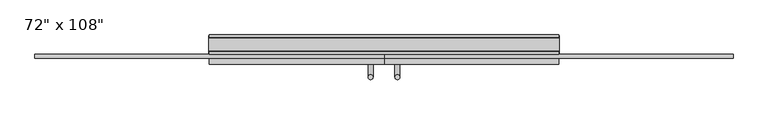
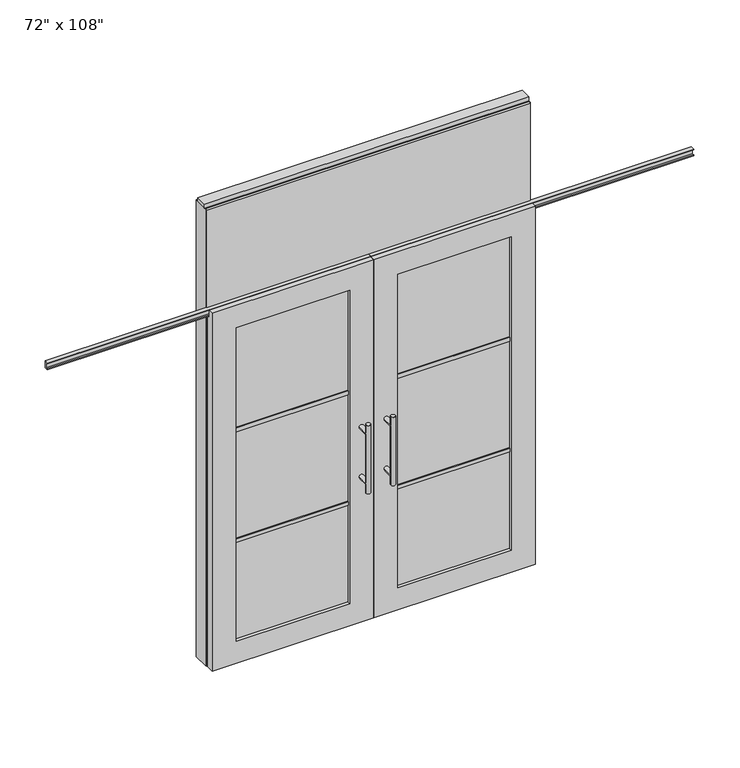
"""IFC4 building model written with IfcOpenShell, lengths in millimetres: furniture geometry."""

from ifc_helpers import new_model, si_unit, frame, origin, origin_with_axes, place, context, project, spatial, polyline, circle_curve, ellipse_curve, outline, extrude, faceted_brep, source, transform, mapped, element, save
from ifc_brep_helpers import plane_surface, cylinder_surface, advanced_brep


def furniture_bcf24d41(model_context):
    return source(origin(), model_context, "Body", "SolidModel", [
        extrude(outline(polyline([(850.4264771, 46.2822784), (850.4264771, 33.5822784), (-970.4995229, 33.5822784), (-970.4995229, 46.2822784), (850.4264771, 46.2822784)])), frame((0.0, 0.0, 2133.6), z_axis=(0.0, 0.0, 1.0), x_axis=(1.0, 0.0, 0.0)), (0.0, 0.0, 1.0), 584.2),
        extrude(outline(polyline([(850.4264771, -55.3177216), (-970.4995229, -55.3177216), (-970.4995229, -42.6177216), (850.4264771, -42.6177216), (850.4264771, -55.3177216)])), frame((0.0, 0.0, 2133.6), z_axis=(0.0, 0.0, 1.0), x_axis=(1.0, 0.0, 0.0)), (0.0, 0.0, 1.0), 584.2),
        advanced_brep(
        [(-117.3135229, 5.8962784, 1219.2), (-142.7135229, 5.8962784, 1219.2), (-117.3135229, 5.8962784, 812.8), (-142.7135229, 5.8962784, 812.8), (-117.3135229, 5.8962784, 1164.336), (-117.3135229, 5.8962784, 867.664), (-142.7135229, 5.8962784, 867.664), (-142.7135229, 5.8962784, 1164.336), (-117.3135229, -61.6677216, 1164.336), (-142.7135229, -61.6677216, 1164.336), (-117.3135229, -61.6677216, 867.664), (-142.7135229, -61.6677216, 867.664)],
        [
            (0, 1, circle_curve(frame((-130.0135229, 5.8962784, 1219.2), z_axis=(0.0, 0.0, 1.0), x_axis=(-1.0, 0.0, 0.0)), 12.7)),
            (1, 0, circle_curve(frame((-130.0135229, 5.8962784, 1219.2), z_axis=(0.0, 0.0, 1.0), x_axis=(-1.0, 0.0, 0.0)), 12.7)),
            (2, 3, circle_curve(frame((-130.0135229, 5.8962784, 812.8), z_axis=(0.0, 0.0, -1.0), x_axis=(-1.0, 0.0, 0.0)), 12.7)),
            (3, 2, circle_curve(frame((-130.0135229, 5.8962784, 812.8), z_axis=(0.0, 0.0, -1.0), x_axis=(-1.0, 0.0, 0.0)), 12.7)),
            (0, 4),
            (4, 5),
            (5, 2),
            (3, 6),
            (6, 7),
            (7, 1),
            (7, 4, ellipse_curve(frame((-130.0135229, 5.8962784, 1164.336), z_axis=(0.0, 0.707106781186565, 0.70710678118653), x_axis=(0.0, -0.70710678118653, 0.707106781186565)), 17.9605122, 12.7)),
            (5, 6, ellipse_curve(frame((-130.0135229, 5.8962784, 867.664), z_axis=(0.0, 0.70710678118653, -0.7071067811865649), x_axis=(0.0, 0.7071067811865648, 0.7071067811865301)), 17.9605122, 12.7)),
            (4, 7, ellipse_curve(frame((-130.0135229, 5.8962784, 1164.336), z_axis=(0.0, 0.70710678118653, -0.7071067811865649), x_axis=(0.0, 0.7071067811865648, 0.7071067811865301)), 17.9605122, 12.7)),
            (6, 5, ellipse_curve(frame((-130.0135229, 5.8962784, 867.664), z_axis=(0.0, 0.707106781186565, 0.70710678118653), x_axis=(0.0, -0.70710678118653, 0.707106781186565)), 17.9605122, 12.7)),
            (8, 9, circle_curve(frame((-130.0135229, -61.6677216, 1164.336), z_axis=(0.0, -1.0, 0.0), x_axis=(-1.0, 0.0, 0.0)), 12.7)),
            (9, 8, circle_curve(frame((-130.0135229, -61.6677216, 1164.336), z_axis=(0.0, -1.0, 0.0), x_axis=(-1.0, 0.0, 0.0)), 12.7)),
            (9, 7),
            (4, 8),
            (10, 11, circle_curve(frame((-130.0135229, -61.6677216, 867.664), z_axis=(0.0, -1.0, 0.0), x_axis=(-1.0, 0.0, 0.0)), 12.7)),
            (11, 10, circle_curve(frame((-130.0135229, -61.6677216, 867.664), z_axis=(0.0, -1.0, 0.0), x_axis=(-1.0, 0.0, 0.0)), 12.7)),
            (11, 6),
            (5, 10),
        ],
        [
            plane_surface(frame((-142.7135229, 5.8962784, 1219.2), z_axis=(0.0, 0.0, 1.0), x_axis=(0.0, -1.0, 0.0))),
            plane_surface(frame((-142.7135229, 5.8962784, 812.8), z_axis=(0.0, 0.0, -1.0), x_axis=(0.0, 1.0, 0.0))),
            cylinder_surface(frame((-130.0135229, 5.8962784, 812.8), z_axis=(0.0, 0.0, 1.0), x_axis=(-1.0, 0.0, 0.0)), 12.7),
            plane_surface(frame((-142.7135229, -61.6677216, 1164.336), z_axis=(0.0, -1.0, 0.0), x_axis=(0.0, 0.0, -1.0))),
            cylinder_surface(frame((-130.0135229, -61.6677216, 1164.336), z_axis=(0.0, 1.0, 0.0), x_axis=(-1.0, 0.0, 0.0)), 12.7),
            plane_surface(frame((-142.7135229, -61.6677216, 867.664), z_axis=(0.0, -1.0, 0.0), x_axis=(0.0, 0.0, -1.0))),
            cylinder_surface(frame((-130.0135229, -61.6677216, 867.664), z_axis=(0.0, 1.0, 0.0), x_axis=(-1.0, 0.0, 0.0)), 12.7),
        ],
        [
            (0, [[1, 2]]),
            (1, [[3, 4]]),
            (2, [[-1, 5, 6, 7, -4, 8, 9, 10]]),
            (2, [[-2, -10, 11, -5]]),
            (2, [[-3, -7, 12, -8]]),
            (2, [[13, -9, 14, -6]]),
            (3, [[15, 16]]),
            (4, [[-16, 17, -13, 18]]),
            (4, [[-15, -18, -11, -17]]),
            (5, [[19, 20]]),
            (6, [[-20, 21, -12, 22]]),
            (6, [[-19, -22, -14, -21]]),
        ],
    ),
        advanced_brep(
        [(-117.3135229, -173.6817216, 1219.2), (-142.7135229, -173.6817216, 1219.2), (-117.3135229, -173.6817216, 812.8), (-142.7135229, -173.6817216, 812.8), (-142.7135229, -173.6817216, 1164.336), (-142.7135229, -173.6817216, 867.664), (-117.3135229, -173.6817216, 867.664), (-117.3135229, -173.6817216, 1164.336), (-117.3135229, -106.1177216, 1164.336), (-142.7135229, -106.1177216, 1164.336), (-117.3135229, -106.1177216, 867.664), (-142.7135229, -106.1177216, 867.664)],
        [
            (0, 1, circle_curve(frame((-130.0135229, -173.6817216, 1219.2), z_axis=(0.0, 0.0, 1.0), x_axis=(-1.0, 0.0, 0.0)), 12.7)),
            (1, 0, circle_curve(frame((-130.0135229, -173.6817216, 1219.2), z_axis=(0.0, 0.0, 1.0), x_axis=(-1.0, 0.0, 0.0)), 12.7)),
            (2, 3, circle_curve(frame((-130.0135229, -173.6817216, 812.8), z_axis=(0.0, 0.0, -1.0), x_axis=(-1.0, 0.0, 0.0)), 12.7)),
            (3, 2, circle_curve(frame((-130.0135229, -173.6817216, 812.8), z_axis=(0.0, 0.0, -1.0), x_axis=(-1.0, 0.0, 0.0)), 12.7)),
            (1, 4),
            (4, 5),
            (5, 3),
            (2, 6),
            (6, 7),
            (7, 0),
            (6, 5, ellipse_curve(frame((-130.0135229, -173.6817216, 867.664), z_axis=(0.0, -0.707106781186565, 0.70710678118653), x_axis=(0.0, 0.70710678118653, 0.707106781186565)), 17.9605122, 12.7)),
            (4, 7, ellipse_curve(frame((-130.0135229, -173.6817216, 1164.336), z_axis=(0.0, -0.70710678118653, -0.7071067811865649), x_axis=(0.0, -0.7071067811865648, 0.7071067811865301)), 17.9605122, 12.7)),
            (7, 4, ellipse_curve(frame((-130.0135229, -173.6817216, 1164.336), z_axis=(0.0, -0.707106781186565, 0.70710678118653), x_axis=(0.0, 0.70710678118653, 0.707106781186565)), 17.9605122, 12.7)),
            (5, 6, ellipse_curve(frame((-130.0135229, -173.6817216, 867.664), z_axis=(0.0, -0.70710678118653, -0.7071067811865649), x_axis=(0.0, -0.7071067811865648, 0.7071067811865301)), 17.9605122, 12.7)),
            (8, 9, circle_curve(frame((-130.0135229, -106.1177216, 1164.336), z_axis=(0.0, 1.0, 0.0), x_axis=(-1.0, 0.0, 0.0)), 12.7)),
            (9, 8, circle_curve(frame((-130.0135229, -106.1177216, 1164.336), z_axis=(0.0, 1.0, 0.0), x_axis=(-1.0, 0.0, 0.0)), 12.7)),
            (8, 7),
            (4, 9),
            (10, 11, circle_curve(frame((-130.0135229, -106.1177216, 867.664), z_axis=(0.0, 1.0, 0.0), x_axis=(-1.0, 0.0, 0.0)), 12.7)),
            (11, 10, circle_curve(frame((-130.0135229, -106.1177216, 867.664), z_axis=(0.0, 1.0, 0.0), x_axis=(-1.0, 0.0, 0.0)), 12.7)),
            (10, 6),
            (5, 11),
        ],
        [
            plane_surface(frame((-142.7135229, -173.6817216, 1219.2), z_axis=(0.0, 0.0, 1.0), x_axis=(0.0, 1.0, 0.0))),
            plane_surface(frame((-142.7135229, -173.6817216, 812.8), z_axis=(0.0, 0.0, -1.0), x_axis=(0.0, -1.0, 0.0))),
            cylinder_surface(frame((-130.0135229, -173.6817216, 812.8), z_axis=(0.0, 0.0, 1.0), x_axis=(-1.0, 0.0, 0.0)), 12.7),
            plane_surface(frame((-142.7135229, -106.1177216, 1164.336), z_axis=(0.0, 1.0, 0.0), x_axis=(0.0, 0.0, -1.0))),
            cylinder_surface(frame((-130.0135229, -106.1177216, 1164.336), z_axis=(0.0, -1.0, 0.0), x_axis=(-1.0, 0.0, 0.0)), 12.7),
            plane_surface(frame((-142.7135229, -106.1177216, 867.664), z_axis=(0.0, 1.0, 0.0), x_axis=(0.0, 0.0, -1.0))),
            cylinder_surface(frame((-130.0135229, -106.1177216, 867.664), z_axis=(0.0, -1.0, 0.0), x_axis=(-1.0, 0.0, 0.0)), 12.7),
        ],
        [
            (0, [[1, 2]]),
            (1, [[3, 4]]),
            (2, [[5, 6, 7, -3, 8, 9, 10, -2]]),
            (2, [[-9, 11, -6, 12]]),
            (2, [[-10, 13, -5, -1]]),
            (2, [[-7, 14, -8, -4]]),
            (3, [[15, 16]]),
            (4, [[17, -12, 18, -15]]),
            (4, [[-18, -13, -17, -16]]),
            (5, [[19, 20]]),
            (6, [[21, -14, 22, -19]]),
            (6, [[-22, -11, -21, -20]]),
        ],
    ),
        extrude(outline(polyline([(-196.0535229, -95.0052216), (-834.4825229, -95.0052216), (-834.4825229, -72.7802216), (-196.0535229, -72.7802216), (-196.0535229, -95.0052216)])), frame((0.0, 0.0, 1371.6), z_axis=(0.0, 0.0, 1.0), x_axis=(1.0, 0.0, 0.0)), (0.0, 0.0, 1.0), 22.225),
        extrude(outline(polyline([(-196.0535229, -95.0052216), (-834.4825229, -95.0052216), (-834.4825229, -72.7802216), (-196.0535229, -72.7802216), (-196.0535229, -95.0052216)])), frame((0.0, 0.0, 711.2), z_axis=(0.0, 0.0, 1.0), x_axis=(1.0, 0.0, 0.0)), (0.0, 0.0, 1.0), 22.225),
        extrude(outline(polyline([(-834.4825229, -88.9727216), (-834.4825229, -78.8127216), (-196.0535229, -78.8127216), (-196.0535229, -88.9727216), (-834.4825229, -88.9727216)])), frame((0.0, 0.0, 132.969), z_axis=(0.0, 0.0, 1.0), x_axis=(1.0, 0.0, 0.0)), (0.0, 0.0, 1.0), 1867.662),
        extrude(outline(polyline([(-75.3837216, 2097.278), (-75.3837216, 2102.612), (-62.6837216, 2102.612), (-62.6837216, 2131.568), (-75.3837216, 2131.568), (-75.3837216, 2136.902), (-53.6667216, 2136.902), (-53.6667216, 2097.278), (-75.3837216, 2097.278)])), frame((-1880.9625229, 0.0, 0.0), z_axis=(1.0, 0.0, 0.0), x_axis=(0.0, 1.0, 0.0)), (0.0, 0.0, 1.0), 1820.926),
        faceted_brep([(-60.0365229, -106.1177216, 0.0), (-60.0365229, -106.1177216, 2133.6), (-970.4995229, -106.1177216, 2133.6), (-970.4995229, -106.1177216, 0.0), (-834.4825229, -106.1177216, 2000.631), (-196.0535229, -106.1177216, 2000.631), (-196.0535229, -106.1177216, 132.969), (-834.4825229, -106.1177216, 132.969), (-60.0365229, -78.6857216, 2133.6), (-60.0365229, -78.6857216, 2089.023), (-970.4995229, -78.6857216, 2089.023), (-970.4995229, -78.6857216, 2133.6), (-60.0365229, -61.6677216, 0.0), (-60.0365229, -61.6677216, 2089.023), (-970.4995229, -61.6677216, 2089.023), (-970.4995229, -61.6677216, 0.0), (-834.4825229, -61.6677216, 2000.631), (-834.4825229, -61.6677216, 132.969), (-196.0535229, -61.6677216, 132.969), (-196.0535229, -61.6677216, 2000.631)], [[[0, 1, 2, 3], [4, 5, 6, 7]], [[8, 9, 10, 11]], [[0, 12, 13, 9, 8, 1]], [[2, 11, 10, 14, 15, 3]], [[1, 8, 11, 2]], [[14, 13, 12, 15], [16, 17, 18, 19]], [[14, 10, 9, 13]], [[3, 15, 12, 0]], [[7, 17, 16, 4]], [[6, 18, 17, 7]], [[5, 19, 18, 6]], [[4, 16, 19, 5]]]),
        advanced_brep(
        [(-2.7595229, 5.8962784, 1219.2), (22.6404771, 5.8962784, 1219.2), (-2.7595229, 5.8962784, 812.8), (22.6404771, 5.8962784, 812.8), (22.6404771, 5.8962784, 1164.336), (22.6404771, 5.8962784, 867.664), (-2.7595229, 5.8962784, 867.664), (-2.7595229, 5.8962784, 1164.336), (-2.7595229, -61.6677216, 1164.336), (22.6404771, -61.6677216, 1164.336), (-2.7595229, -61.6677216, 867.664), (22.6404771, -61.6677216, 867.664)],
        [
            (0, 1, circle_curve(frame((9.9404771, 5.8962784, 1219.2), z_axis=(0.0, 0.0, 1.0), x_axis=(1.0, 0.0, 0.0)), 12.7)),
            (1, 0, circle_curve(frame((9.9404771, 5.8962784, 1219.2), z_axis=(0.0, 0.0, 1.0), x_axis=(1.0, 0.0, 0.0)), 12.7)),
            (2, 3, circle_curve(frame((9.9404771, 5.8962784, 812.8), z_axis=(0.0, 0.0, -1.0), x_axis=(1.0, 0.0, 0.0)), 12.7)),
            (3, 2, circle_curve(frame((9.9404771, 5.8962784, 812.8), z_axis=(0.0, 0.0, -1.0), x_axis=(1.0, 0.0, 0.0)), 12.7)),
            (1, 4),
            (4, 5),
            (5, 3),
            (2, 6),
            (6, 7),
            (7, 0),
            (6, 5, ellipse_curve(frame((9.9404771, 5.8962784, 867.664), z_axis=(0.0, 0.707106781186565, 0.70710678118653), x_axis=(0.0, -0.70710678118653, 0.707106781186565)), 17.9605122, 12.7)),
            (4, 7, ellipse_curve(frame((9.9404771, 5.8962784, 1164.336), z_axis=(0.0, 0.70710678118653, -0.7071067811865649), x_axis=(0.0, 0.7071067811865648, 0.7071067811865301)), 17.9605122, 12.7)),
            (7, 4, ellipse_curve(frame((9.9404771, 5.8962784, 1164.336), z_axis=(0.0, 0.707106781186565, 0.70710678118653), x_axis=(0.0, -0.70710678118653, 0.707106781186565)), 17.9605122, 12.7)),
            (5, 6, ellipse_curve(frame((9.9404771, 5.8962784, 867.664), z_axis=(0.0, 0.70710678118653, -0.7071067811865649), x_axis=(0.0, 0.7071067811865648, 0.7071067811865301)), 17.9605122, 12.7)),
            (8, 9, circle_curve(frame((9.9404771, -61.6677216, 1164.336), z_axis=(0.0, -1.0, 0.0), x_axis=(1.0, 0.0, 0.0)), 12.7)),
            (9, 8, circle_curve(frame((9.9404771, -61.6677216, 1164.336), z_axis=(0.0, -1.0, 0.0), x_axis=(1.0, 0.0, 0.0)), 12.7)),
            (8, 7),
            (4, 9),
            (10, 11, circle_curve(frame((9.9404771, -61.6677216, 867.664), z_axis=(0.0, -1.0, 0.0), x_axis=(1.0, 0.0, 0.0)), 12.7)),
            (11, 10, circle_curve(frame((9.9404771, -61.6677216, 867.664), z_axis=(0.0, -1.0, 0.0), x_axis=(1.0, 0.0, 0.0)), 12.7)),
            (10, 6),
            (5, 11),
        ],
        [
            plane_surface(frame((22.6404771, 5.8962784, 1219.2), z_axis=(0.0, 0.0, 1.0), x_axis=(0.0, -1.0, 0.0))),
            plane_surface(frame((22.6404771, 5.8962784, 812.8), z_axis=(0.0, 0.0, -1.0), x_axis=(0.0, 1.0, 0.0))),
            cylinder_surface(frame((9.9404771, 5.8962784, 812.8), z_axis=(0.0, 0.0, 1.0), x_axis=(1.0, 0.0, 0.0)), 12.7),
            plane_surface(frame((22.6404771, -61.6677216, 1164.336), z_axis=(0.0, -1.0, 0.0), x_axis=(0.0, 0.0, -1.0))),
            cylinder_surface(frame((9.9404771, -61.6677216, 1164.336), z_axis=(0.0, 1.0, 0.0), x_axis=(1.0, 0.0, 0.0)), 12.7),
            plane_surface(frame((22.6404771, -61.6677216, 867.664), z_axis=(0.0, -1.0, 0.0), x_axis=(0.0, 0.0, -1.0))),
            cylinder_surface(frame((9.9404771, -61.6677216, 867.664), z_axis=(0.0, 1.0, 0.0), x_axis=(1.0, 0.0, 0.0)), 12.7),
        ],
        [
            (0, [[1, 2]]),
            (1, [[3, 4]]),
            (2, [[5, 6, 7, -3, 8, 9, 10, -2]]),
            (2, [[-9, 11, -6, 12]]),
            (2, [[-10, 13, -5, -1]]),
            (2, [[-7, 14, -8, -4]]),
            (3, [[15, 16]]),
            (4, [[17, -12, 18, -15]]),
            (4, [[-18, -13, -17, -16]]),
            (5, [[19, 20]]),
            (6, [[21, -14, 22, -19]]),
            (6, [[-22, -11, -21, -20]]),
        ],
    ),
        advanced_brep(
        [(-2.7595229, -173.6817216, 1219.2), (22.6404771, -173.6817216, 1219.2), (-2.7595229, -173.6817216, 812.8), (22.6404771, -173.6817216, 812.8), (-2.7595229, -173.6817216, 1164.336), (-2.7595229, -173.6817216, 867.664), (22.6404771, -173.6817216, 867.664), (22.6404771, -173.6817216, 1164.336), (-2.7595229, -106.1177216, 1164.336), (22.6404771, -106.1177216, 1164.336), (-2.7595229, -106.1177216, 867.664), (22.6404771, -106.1177216, 867.664)],
        [
            (0, 1, circle_curve(frame((9.9404771, -173.6817216, 1219.2), z_axis=(0.0, 0.0, 1.0), x_axis=(1.0, 0.0, 0.0)), 12.7)),
            (1, 0, circle_curve(frame((9.9404771, -173.6817216, 1219.2), z_axis=(0.0, 0.0, 1.0), x_axis=(1.0, 0.0, 0.0)), 12.7)),
            (2, 3, circle_curve(frame((9.9404771, -173.6817216, 812.8), z_axis=(0.0, 0.0, -1.0), x_axis=(1.0, 0.0, 0.0)), 12.7)),
            (3, 2, circle_curve(frame((9.9404771, -173.6817216, 812.8), z_axis=(0.0, 0.0, -1.0), x_axis=(1.0, 0.0, 0.0)), 12.7)),
            (0, 4),
            (4, 5),
            (5, 2),
            (3, 6),
            (6, 7),
            (7, 1),
            (7, 4, ellipse_curve(frame((9.9404771, -173.6817216, 1164.336), z_axis=(0.0, -0.707106781186565, 0.70710678118653), x_axis=(0.0, 0.70710678118653, 0.707106781186565)), 17.9605122, 12.7)),
            (5, 6, ellipse_curve(frame((9.9404771, -173.6817216, 867.664), z_axis=(0.0, -0.70710678118653, -0.7071067811865649), x_axis=(0.0, -0.7071067811865648, 0.7071067811865301)), 17.9605122, 12.7)),
            (4, 7, ellipse_curve(frame((9.9404771, -173.6817216, 1164.336), z_axis=(0.0, -0.70710678118653, -0.7071067811865649), x_axis=(0.0, -0.7071067811865648, 0.7071067811865301)), 17.9605122, 12.7)),
            (6, 5, ellipse_curve(frame((9.9404771, -173.6817216, 867.664), z_axis=(0.0, -0.707106781186565, 0.70710678118653), x_axis=(0.0, 0.70710678118653, 0.707106781186565)), 17.9605122, 12.7)),
            (8, 9, circle_curve(frame((9.9404771, -106.1177216, 1164.336), z_axis=(0.0, 1.0, 0.0), x_axis=(1.0, 0.0, 0.0)), 12.7)),
            (9, 8, circle_curve(frame((9.9404771, -106.1177216, 1164.336), z_axis=(0.0, 1.0, 0.0), x_axis=(1.0, 0.0, 0.0)), 12.7)),
            (9, 7),
            (4, 8),
            (10, 11, circle_curve(frame((9.9404771, -106.1177216, 867.664), z_axis=(0.0, 1.0, 0.0), x_axis=(1.0, 0.0, 0.0)), 12.7)),
            (11, 10, circle_curve(frame((9.9404771, -106.1177216, 867.664), z_axis=(0.0, 1.0, 0.0), x_axis=(1.0, 0.0, 0.0)), 12.7)),
            (11, 6),
            (5, 10),
        ],
        [
            plane_surface(frame((22.6404771, -173.6817216, 1219.2), z_axis=(0.0, 0.0, 1.0), x_axis=(0.0, 1.0, 0.0))),
            plane_surface(frame((22.6404771, -173.6817216, 812.8), z_axis=(0.0, 0.0, -1.0), x_axis=(0.0, -1.0, 0.0))),
            cylinder_surface(frame((9.9404771, -173.6817216, 812.8), z_axis=(0.0, 0.0, 1.0), x_axis=(1.0, 0.0, 0.0)), 12.7),
            plane_surface(frame((22.6404771, -106.1177216, 1164.336), z_axis=(0.0, 1.0, 0.0), x_axis=(0.0, 0.0, -1.0))),
            cylinder_surface(frame((9.9404771, -106.1177216, 1164.336), z_axis=(0.0, -1.0, 0.0), x_axis=(1.0, 0.0, 0.0)), 12.7),
            plane_surface(frame((22.6404771, -106.1177216, 867.664), z_axis=(0.0, 1.0, 0.0), x_axis=(0.0, 0.0, -1.0))),
            cylinder_surface(frame((9.9404771, -106.1177216, 867.664), z_axis=(0.0, -1.0, 0.0), x_axis=(1.0, 0.0, 0.0)), 12.7),
        ],
        [
            (0, [[1, 2]]),
            (1, [[3, 4]]),
            (2, [[-1, 5, 6, 7, -4, 8, 9, 10]]),
            (2, [[-2, -10, 11, -5]]),
            (2, [[-3, -7, 12, -8]]),
            (2, [[13, -9, 14, -6]]),
            (3, [[15, 16]]),
            (4, [[-16, 17, -13, 18]]),
            (4, [[-15, -18, -11, -17]]),
            (5, [[19, 20]]),
            (6, [[-20, 21, -12, 22]]),
            (6, [[-19, -22, -14, -21]]),
        ],
    ),
        extrude(outline(polyline([(75.9804771, -95.0052216), (75.9804771, -72.7802216), (714.4094771, -72.7802216), (714.4094771, -95.0052216), (75.9804771, -95.0052216)])), frame((0.0, 0.0, 1371.6), z_axis=(0.0, 0.0, 1.0), x_axis=(1.0, 0.0, 0.0)), (0.0, 0.0, 1.0), 22.225),
        extrude(outline(polyline([(75.9804771, -95.0052216), (75.9804771, -72.7802216), (714.4094771, -72.7802216), (714.4094771, -95.0052216), (75.9804771, -95.0052216)])), frame((0.0, 0.0, 711.2), z_axis=(0.0, 0.0, 1.0), x_axis=(1.0, 0.0, 0.0)), (0.0, 0.0, 1.0), 22.225),
        extrude(outline(polyline([(714.4094771, -88.9727216), (75.9804771, -88.9727216), (75.9804771, -78.8127216), (714.4094771, -78.8127216), (714.4094771, -88.9727216)])), frame((0.0, 0.0, 132.969), z_axis=(0.0, 0.0, 1.0), x_axis=(1.0, 0.0, 0.0)), (0.0, 0.0, 1.0), 1867.662),
        extrude(outline(polyline([(-75.3837216, 2097.278), (-75.3837216, 2102.612), (-62.6837216, 2102.612), (-62.6837216, 2131.568), (-75.3837216, 2131.568), (-75.3837216, 2136.902), (-53.6667216, 2136.902), (-53.6667216, 2097.278), (-75.3837216, 2097.278)])), frame((-60.0365229, 0.0, 0.0), z_axis=(1.0, 0.0, 0.0), x_axis=(0.0, 1.0, 0.0)), (0.0, 0.0, 1.0), 1820.926),
        faceted_brep([(-60.0365229, -106.1177216, 0.0), (850.4264771, -106.1177216, 0.0), (850.4264771, -106.1177216, 2133.6), (-60.0365229, -106.1177216, 2133.6), (714.4094771, -106.1177216, 2000.631), (714.4094771, -106.1177216, 132.969), (75.9804771, -106.1177216, 132.969), (75.9804771, -106.1177216, 2000.631), (-60.0365229, -78.6857216, 2133.6), (850.4264771, -78.6857216, 2133.6), (850.4264771, -78.6857216, 2089.023), (-60.0365229, -78.6857216, 2089.023), (-60.0365229, -61.6677216, 2089.023), (-60.0365229, -61.6677216, 0.0), (850.4264771, -61.6677216, 0.0), (850.4264771, -61.6677216, 2089.023), (714.4094771, -61.6677216, 2000.631), (75.9804771, -61.6677216, 2000.631), (75.9804771, -61.6677216, 132.969), (714.4094771, -61.6677216, 132.969)], [[[0, 1, 2, 3], [4, 5, 6, 7]], [[8, 9, 10, 11]], [[0, 3, 8, 11, 12, 13]], [[2, 1, 14, 15, 10, 9]], [[3, 2, 9, 8]], [[15, 14, 13, 12], [16, 17, 18, 19]], [[15, 12, 11, 10]], [[1, 0, 13, 14]], [[5, 4, 16, 19]], [[6, 5, 19, 18]], [[7, 6, 18, 17]], [[4, 7, 17, 16]]]),
        extrude(outline(polyline([(-42.6177216, 2681.478), (-42.6177216, 2717.8), (33.5822784, 2717.8), (33.5822784, 2681.478), (28.6292784, 2681.478), (28.6292784, 2676.525), (-37.6647216, 2676.525), (-37.6647216, 2681.478), (-42.6177216, 2681.478)])), frame((-970.4995229, 0.0, 0.0), z_axis=(1.0, 0.0, 0.0), x_axis=(0.0, 1.0, 0.0)), (0.0, 0.0, 1.0), 1820.926),
        extrude(outline(polyline([(-970.4995229, -55.3177216), (-970.4995229, 46.2822784), (850.4264771, 46.2822784), (850.4264771, -55.3177216), (-970.4995229, -55.3177216)])), frame((0.0, 0.0, 2070.1), z_axis=(0.0, 0.0, 1.0), x_axis=(1.0, 0.0, 0.0)), (0.0, 0.0, 1.0), 22.225),
        extrude(outline(polyline([(-55.3177216, 2097.278), (-55.3177216, 2133.6), (46.2822784, 2133.6), (46.2822784, 2097.278), (41.3292784, 2097.278), (41.3292784, 2092.325), (-50.3647216, 2092.325), (-50.3647216, 2097.278), (-55.3177216, 2097.278)])), frame((-970.4995229, 0.0, 0.0), z_axis=(1.0, 0.0, 0.0), x_axis=(0.0, 1.0, 0.0)), (0.0, 0.0, 1.0), 1820.926),
        extrude(outline(polyline([(854.3634771, -50.3647216), (850.4264771, -50.3647216), (850.4264771, 41.3292784), (854.3634771, 41.3292784), (854.3634771, -50.3647216)])), origin_with_axes(), (0.0, 0.0, 1.0), 2717.8),
        extrude(outline(polyline([(-974.4365229, -50.3647216), (-974.4365229, 41.3292784), (-970.4995229, 41.3292784), (-970.4995229, -50.3647216), (-974.4365229, -50.3647216)])), origin_with_axes(), (0.0, 0.0, 1.0), 2717.8),
        extrude(outline(polyline([(828.2014771, -55.3177216), (828.2014771, 46.2822784), (850.4264771, 46.2822784), (850.4264771, -55.3177216), (828.2014771, -55.3177216)])), origin_with_axes(), (0.0, 0.0, 1.0), 2070.1),
        extrude(outline(polyline([(-948.2745229, -55.3177216), (-970.4995229, -55.3177216), (-970.4995229, 46.2822784), (-948.2745229, 46.2822784), (-948.2745229, -55.3177216)])), origin_with_axes(), (0.0, 0.0, 1.0), 2070.1),
        extrude(outline(polyline([(-974.4365229, -37.0297216), (-974.4365229, 27.9942784), (854.3634771, 27.9942784), (854.3634771, -37.0297216), (-974.4365229, -37.0297216)])), frame((0.0, 0.0, 2717.8), z_axis=(0.0, 0.0, 1.0), x_axis=(1.0, 0.0, 0.0)), (0.0, 0.0, 1.0), 25.4),
    ])


if __name__ == "__main__":
    model = new_model("IFC4")
    model_context = context("Model", 3, world=origin())
    ifc_project = project(units=[si_unit("LENGTHUNIT", "METRE", prefix="MILLI")], contexts=[model_context])
    site = spatial("IfcSite", under=ifc_project)
    building = spatial("IfcBuilding", under=site)
    placement = place(None, origin())
    furniture_shape = furniture_bcf24d41(model_context)
    element("IfcFurniture", 1, ObjectType="72\" x 108\"", at=placement, inside=building, context=model_context, shape_type="MappedRepresentation", body=[
        mapped(furniture_shape, transform((0.0, 0.0, 0.0), x_axis=(1.0, 0.0, 0.0), y_axis=(0.0, 1.0, 0.0), z_axis=(0.0, 0.0, 1.0))),
    ])
    save(model, "model.ifc")
